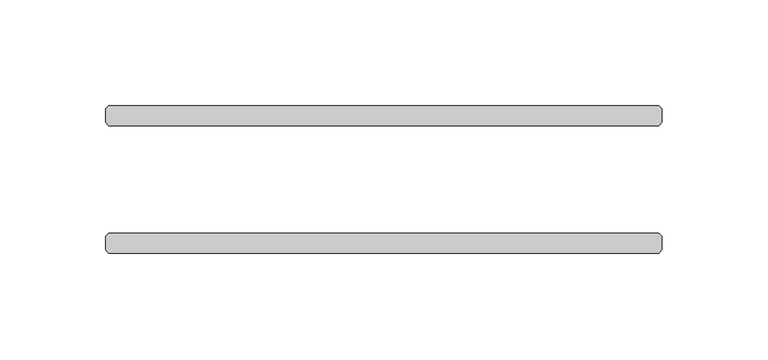
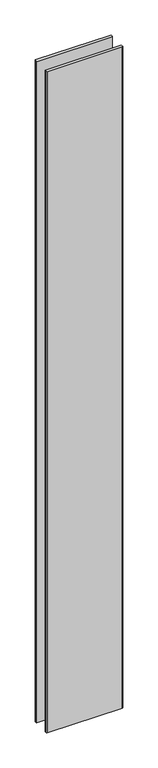
"""IFC4 building model written with IfcOpenShell, lengths in millimetres: plate geometry."""

from ifc_helpers import new_model, si_unit, origin, origin_with_axes, place, context, project, spatial, polyline, outline, extrude, source, transform, mapped, element, save


def plate_cd468621(model_context):
    return source(origin(), model_context, "Body", "SweptSolid", [
        extrude(outline(polyline([(130.175, 25.4), (-130.175, 25.4), (-131.7625, 26.9875), (-131.7625, 33.3375), (-130.175, 34.925), (130.175, 34.925), (131.7625, 33.3375), (131.7625, 26.9875), (130.175, 25.4)])), origin_with_axes(), (0.0, 0.0, 1.0), 2417.7625023),
        extrude(outline(polyline([(130.175, -34.925), (-130.175, -34.925), (-131.7625, -33.3375), (-131.7625, -26.9875), (-130.175, -25.4), (130.175, -25.4), (131.7625, -26.9875), (131.7625, -33.3375), (130.175, -34.925)])), origin_with_axes(), (0.0, 0.0, 1.0), 2417.7625023),
    ])


if __name__ == "__main__":
    model = new_model("IFC4")
    model_context = context("Model", 3, world=origin())
    ifc_project = project(units=[si_unit("LENGTHUNIT", "METRE", prefix="MILLI")], contexts=[model_context])
    site = spatial("IfcSite", under=ifc_project)
    building = spatial("IfcBuilding", under=site)
    placement = place(None, origin())
    plate_shape = plate_cd468621(model_context)
    element("IfcPlate", 1, at=placement, inside=building, context=model_context, shape_type="MappedRepresentation", body=[
        mapped(plate_shape, transform((0.0, 0.0, 0.0), x_axis=(1.0, 0.0, 0.0), y_axis=(0.0, 1.0, 0.0), z_axis=(0.0, 0.0, 1.0))),
    ])
    save(model, "model.ifc")
